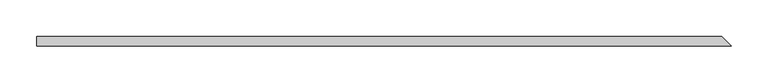
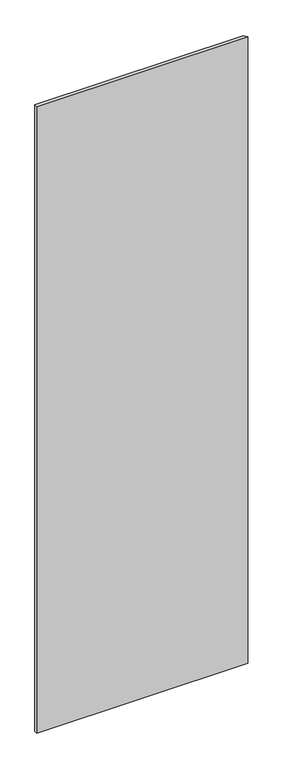
"""IFC4 building model written with IfcOpenShell, lengths in millimetres: plate geometry."""

from ifc_helpers import new_model, si_unit, origin, origin_with_axes, place, context, project, spatial, polyline, outline, extrude, source, transform, mapped, element, save


def plate_7b9537e8(model_context):
    return source(origin(), model_context, "Body", "SweptSolid", [
        extrude(outline(polyline([(453.23125, 26.9875), (465.93125, 14.2875), (-480.21875, 14.2875), (-480.21875, 26.9875), (453.23125, 26.9875)])), origin_with_axes(), (0.0, 0.0, 1.0), 2965.45),
    ])


if __name__ == "__main__":
    model = new_model("IFC4")
    model_context = context("Model", 3, world=origin())
    ifc_project = project(units=[si_unit("LENGTHUNIT", "METRE", prefix="MILLI")], contexts=[model_context])
    site = spatial("IfcSite", under=ifc_project)
    building = spatial("IfcBuilding", under=site)
    placement = place(None, origin())
    plate_shape = plate_7b9537e8(model_context)
    element("IfcPlate", 1, at=placement, inside=building, context=model_context, shape_type="MappedRepresentation", body=[
        mapped(plate_shape, transform((0.0, 0.0, 0.0), x_axis=(1.0, 0.0, 0.0), y_axis=(0.0, 1.0, 0.0), z_axis=(0.0, 0.0, 1.0))),
    ])
    save(model, "model.ifc")
